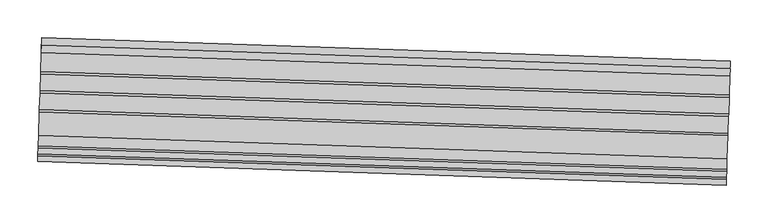
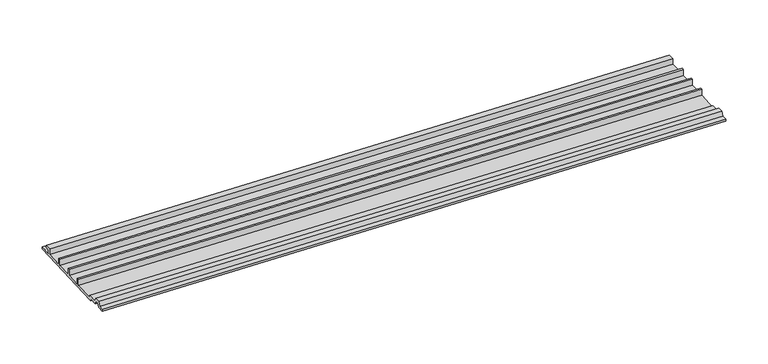
"""IFC4 building model written with IfcOpenShell, lengths in millimetres: proxy geometry."""

import ifcopenshell
import ifcopenshell.guid

model = None  # the IFC model being written
_history = None  # IfcOwnerHistory: only IFC2X3 demands one
_inside = {}  # id of a spatial element -> (the spatial element, [elements in it])
_under = {}  # id of a project, library or spatial element -> (it, [spatial elements below it])
_declared = {}  # id of a project -> (the project, [libraries it declares])
_typed = {}  # id of a type object -> (the type object, [elements of that type])
_made_of = {}  # id of a material, layer set ... -> (it, [elements and type objects made of it])


def new_model(schema):
    """Start an empty IFC model of exactly this schema.

    Asked for "IFC4X3", IfcOpenShell would pick the latest addendum, in which some entities
    have other attributes; the version numbers below select the first issue.
    IFC2X3 requires an IfcOwnerHistory on every rooted entity: one is made here for all.
    """
    global model, _history
    if schema == "IFC4X3":
        model = ifcopenshell.file(schema_version=(4, 3, 0, 0))
    else:
        model = ifcopenshell.file(schema=schema)
    _inside.clear()
    _under.clear()
    _declared.clear()
    _typed.clear()
    _made_of.clear()
    _history = None
    if model.schema == "IFC2X3":
        org = make("IfcOrganization", Name="unknown")
        user = make(
            "IfcPersonAndOrganization",
            ThePerson=make("IfcPerson", FamilyName="unknown"),
            TheOrganization=org,
        )
        app = make(
            "IfcApplication",
            ApplicationDeveloper=org,
            Version="unknown",
            ApplicationFullName="unknown",
            ApplicationIdentifier="unknown",
        )
        _history = make(
            "IfcOwnerHistory",
            OwningUser=user,
            OwningApplication=app,
            ChangeAction="ADDED",
            CreationDate=0,
        )
    return model


def make(cls, **values):
    """One entity of the class cls with the attributes given. An attribute that is None is left unset."""
    return model.create_entity(
        cls, **{name: value for name, value in values.items() if value is not None}
    )


def rooted(cls, **values):
    """An entity with a GlobalId (a new one), such as an element, a storey or a relation."""
    return make(cls, GlobalId=ifcopenshell.guid.new(), OwnerHistory=_history, **values)


def si_unit(unit_type, name, prefix=None):
    """IfcSIUnit, for example si_unit("LENGTHUNIT", "METRE", prefix="MILLI")."""
    return make("IfcSIUnit", UnitType=unit_type, Prefix=prefix, Name=name)


def assignment(units):
    """IfcUnitAssignment: the units of a project."""
    return None if units is None else make("IfcUnitAssignment", Units=units)


def point(xyz):
    """IfcCartesianPoint."""
    return None if xyz is None else make("IfcCartesianPoint", Coordinates=xyz)


def direction(xyz):
    """IfcDirection."""
    return None if xyz is None else make("IfcDirection", DirectionRatios=xyz)


def frame(location, z_axis=None, x_axis=None):
    """IfcAxis2Placement3D, a coordinate frame: its origin and axes. An axis left out is left unset."""
    return make(
        "IfcAxis2Placement3D",
        Location=point(location),
        Axis=direction(z_axis),
        RefDirection=direction(x_axis),
    )


def origin():
    """The frame at (0, 0, 0) with its axes left unset."""
    return frame((0.0, 0.0, 0.0))


def place(relative_to, where):
    """IfcLocalPlacement: puts the frame where relative to a parent placement (None: the world)."""
    return make(
        "IfcLocalPlacement", PlacementRelTo=relative_to, RelativePlacement=where
    )


def context(
    kind, dimensions, precision=None, world=None, true_north=None, identifier=None
):
    """IfcGeometricRepresentationContext, for example the 3D "Model" context."""
    return make(
        "IfcGeometricRepresentationContext",
        ContextIdentifier=identifier,
        ContextType=kind,
        CoordinateSpaceDimension=dimensions,
        Precision=precision,
        WorldCoordinateSystem=world,
        TrueNorth=true_north,
    )


def project(units=None, contexts=None):
    """IfcProject with its units and contexts."""
    return rooted(
        "IfcProject",
        Name="project",
        RepresentationContexts=contexts,
        UnitsInContext=assignment(units),
    )


def spatial(cls, under=None, at=None, **own):
    """A site, building, storey or space (cls), placed at a placement, below another one or the project."""
    s = rooted(cls, ObjectPlacement=at, **own)
    if under is not None:
        _under.setdefault(under.id(), (under, []))[1].append(s)
    return s


def polyline(points):
    """IfcPolyline through the points."""
    return make("IfcPolyline", Points=[point(p) for p in points])


def outline(outer, holes=None, kind="AREA"):
    """IfcArbitraryClosedProfileDef: a profile drawn as a closed curve; with holes, ...WithVoids."""
    if holes is None:
        return make("IfcArbitraryClosedProfileDef", ProfileType=kind, OuterCurve=outer)
    return make(
        "IfcArbitraryProfileDefWithVoids",
        ProfileType=kind,
        OuterCurve=outer,
        InnerCurves=holes,
    )


def extrude(swept, where, along, depth):
    """IfcExtrudedAreaSolid: the profile swept, set in the frame where, extruded along a direction by depth."""
    return make(
        "IfcExtrudedAreaSolid",
        SweptArea=swept,
        Position=where,
        ExtrudedDirection=direction(along),
        Depth=depth,
    )


def shape(context_of_items, identifier, shape_type, items):
    """IfcShapeRepresentation: the items that make up one representation, for example the "Body"."""
    return make(
        "IfcShapeRepresentation",
        ContextOfItems=context_of_items,
        RepresentationIdentifier=identifier,
        RepresentationType=shape_type,
        Items=items,
    )


def source(mapping_origin, context_of_items, identifier, shape_type, items):
    """IfcRepresentationMap: a shape defined once, which mapped items show again and again."""
    return make(
        "IfcRepresentationMap",
        MappingOrigin=mapping_origin,
        MappedRepresentation=shape(context_of_items, identifier, shape_type, items),
    )


def transform(
    local_origin,
    x_axis=None,
    y_axis=None,
    z_axis=None,
    scale=None,
    scale2=None,
    scale3=None,
    uniform=True,
):
    """IfcCartesianTransformationOperator3D, or its non-uniform kind. x_axis, y_axis, z_axis: its Axis1, 2, 3."""
    if uniform:
        return make(
            "IfcCartesianTransformationOperator3D",
            Axis1=direction(x_axis),
            Axis2=direction(y_axis),
            LocalOrigin=point(local_origin),
            Scale=scale,
            Axis3=direction(z_axis),
        )
    return make(
        "IfcCartesianTransformationOperator3DnonUniform",
        Axis1=direction(x_axis),
        Axis2=direction(y_axis),
        LocalOrigin=point(local_origin),
        Scale=scale,
        Axis3=direction(z_axis),
        Scale2=scale2,
        Scale3=scale3,
    )


def mapped(mapping_source, mapping_target):
    """IfcMappedItem: shows the shape of a source again, moved by a transform."""
    return make(
        "IfcMappedItem", MappingSource=mapping_source, MappingTarget=mapping_target
    )


def made_of(thing, what):
    """Note that an element or type object is made of a material, layer set ...; save() writes the relation."""
    if what is not None:
        _made_of.setdefault(what.id(), (what, []))[1].append(thing)
    return thing


def element(
    cls,
    number,
    at=None,
    inside=None,
    cuts=None,
    type_object=None,
    material=None,
    context=None,
    identifier="Body",
    shape_type=None,
    held_by="IfcProductDefinitionShape",
    body=None,
    shapes=None,
    **own,
):
    """One element of the class cls, such as IfcWall. Its Tag is "e" and its number.

    at: its placement. inside: the storey or other place that contains it. cuts: it is an
    opening in that element (IfcRelVoidsElement). A single representation is given by context,
    identifier, shape_type and body (its items); several are given by shapes. held_by: the class
    of the entity that holds the representations. save() writes the other relations.
    """
    e = rooted(cls, Tag="e%d" % number, ObjectPlacement=at, **own)
    if body is not None:
        shapes = [shape(context, identifier, shape_type, body)]
    if shapes is not None:
        e.Representation = make(held_by, Representations=shapes)
    if inside is not None:
        _inside.setdefault(inside.id(), (inside, []))[1].append(e)
    if cuts is not None:
        rooted(
            "IfcRelVoidsElement", RelatingBuildingElement=cuts, RelatedOpeningElement=e
        )
    if type_object is not None:
        _typed.setdefault(type_object.id(), (type_object, []))[1].append(e)
    return made_of(e, material)


def aggregate(whole, parts):
    """IfcRelAggregates: a whole, such as a stair, and the parts it consists of."""
    return rooted("IfcRelAggregates", RelatingObject=whole, RelatedObjects=parts)


def save(model, path):
    """Write the relations noted so far, then the file.

    IfcRelAggregates (storeys below a building ...), IfcRelContainedInSpatialStructure (elements
    in a storey), IfcRelDefinesByType, IfcRelAssociatesMaterial and IfcRelDeclares: one each for
    every whole, place, type object, material and project.
    """
    for whole, parts in _under.values():
        aggregate(whole, parts)
    for where, things in _inside.values():
        rooted(
            "IfcRelContainedInSpatialStructure",
            RelatedElements=things,
            RelatingStructure=where,
        )
    for kind, things in _typed.values():
        rooted("IfcRelDefinesByType", RelatedObjects=things, RelatingType=kind)
    for what, things in _made_of.values():
        rooted("IfcRelAssociatesMaterial", RelatedObjects=things, RelatingMaterial=what)
    for by, libraries in _declared.values():
        rooted("IfcRelDeclares", RelatingContext=by, RelatedDefinitions=libraries)
    model.write(path)


def generic_models_1aa6741c(model_context):
    return source(origin(), model_context, "Body", "SweptSolid", [
        extrude(outline(polyline([(0.0, 0.0), (16.6687499, 0.0), (16.6687499, 4.9129906), (10.3187499, 4.9129906), (10.3187499, 8.8104386), (19.8437499, 8.8104386), (19.8437499, 1e-07), (45.24375, 1e-07), (45.24375, 9.5250003), (48.4187499, 9.5250003), (48.4187499, 3e-07), (70.6437499, 3e-07), (70.6437499, 9.5250004), (73.8187499, 9.5250004), (73.8187499, 4e-07), (96.0437499, 4e-07), (96.0437499, 9.5250005), (99.21875, 9.5250005), (99.21875, 7e-07), (130.1749999, 7e-07), (130.1749999, 3.1750007), (144.0273018, 3.1750007), (146.8433294, 9.2139914), (154.7816704, 9.2139914), (157.597698, 3.1750008), (165.1, 3.1750008), (165.1, 8e-07), (155.5749999, 8e-07), (153.0459232, 5.4236232), (148.5790766, 5.4236232), (146.0499999, 7e-07), (133.3499999, 7e-07), (133.3499999, -3.175), (0.0, -3.175), (0.0, 0.0)])), frame((34376.9334592, -14817.1571663, 3036.257435), z_axis=(-0.999414947590805, 0.03420179135759884, 0.0), x_axis=(-0.03420179135759884, -0.999414947590805, 0.0)), (0.0, 0.0, 1.0), 914.4),
    ])


if __name__ == "__main__":
    model = new_model("IFC4")
    model_context = context("Model", 3, world=origin())
    ifc_project = project(units=[si_unit("LENGTHUNIT", "METRE", prefix="MILLI")], contexts=[model_context])
    site = spatial("IfcSite", under=ifc_project)
    building = spatial("IfcBuilding", under=site)
    placement = place(None, origin())
    generic_models_shape = generic_models_1aa6741c(model_context)
    element("IfcBuildingElementProxy", 1, Name="Generic Models", at=placement, inside=building, context=model_context, shape_type="MappedRepresentation", body=[
        mapped(generic_models_shape, transform((0.0, 0.0, 0.0), x_axis=(1.0, 0.0, 0.0), y_axis=(0.0, 1.0, 0.0), z_axis=(0.0, 0.0, 1.0))),
    ])
    save(model, "model.ifc")
